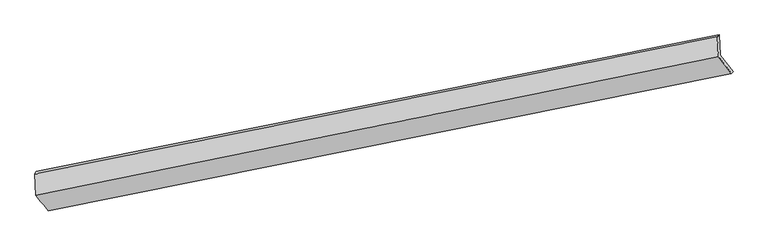
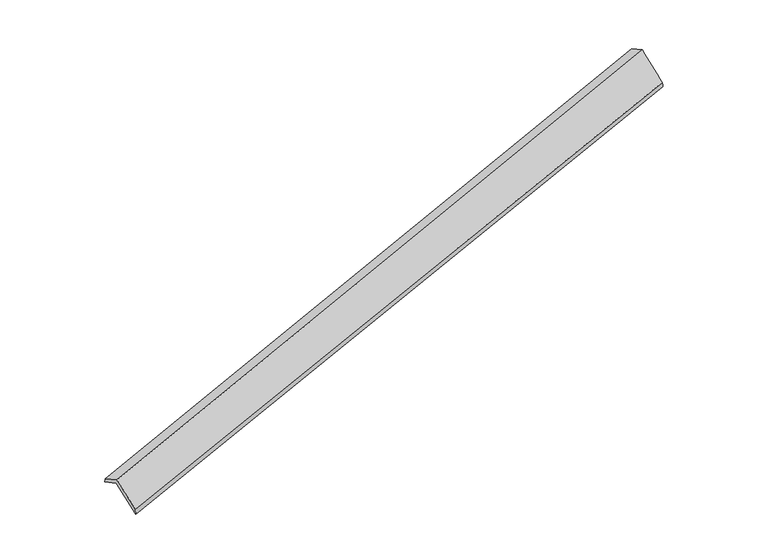
"""IFC4 building model written with IfcOpenShell, lengths in millimetres: proxy geometry."""

from ifc_helpers import new_model, si_unit, frame, origin, place, context, project, spatial, source, transform, mapped, element, save
from ifc_brep_helpers import plane_surface, spline_surface, advanced_brep


def generic_models_a90a103a(model_context):
    return source(origin(), model_context, "Body", "AdvancedBrep", [
        advanced_brep(
        [(-9662.9876074, -2869.6171715, 199.6592131), (-9683.7605708, -2454.5596949, -16.9473925), (3797.9213534, 245.3631494, 3880.0114167), (3817.807794, -151.981019, 4087.3739543), (-9709.4203122, -2506.0160275, 106.4184599), (3763.0293176, 206.7521931, 4028.8767296), (-9688.1011891, -2931.9861349, 328.7200549), (3782.4724968, -181.7353213, 4231.6172332), (-9450.7154936, -3234.2557044, -273.2488865), (4040.0164852, -516.7975912, 3564.8783234), (-9410.5826483, -3191.0111718, -440.3959751), (4072.0892122, -482.7987164, 3429.0813005)],
        [
            (0, 1),
            (1, 2),
            (2, 3),
            (3, 0),
            (1, 4),
            (4, 5),
            (5, 2),
            (4, 6),
            (6, 7),
            (7, 5),
            (6, 8),
            (8, 9),
            (9, 7),
            (8, 10),
            (10, 11),
            (11, 9),
            (10, 0),
            (3, 11),
        ],
        [
            plane_surface(frame((-9673.3740891, -2662.0884332, 91.3559103), z_axis=(0.32883129233388503, -0.42394225016074866, -0.8438856259651947), x_axis=(-0.04432613811987647, 0.8856654051866809, -0.46220340060939624))),
            spline_surface(1, 1, [[(-9683.7605708, -2454.5596949, -16.9473925), (3797.9213534, 245.3631494, 3880.0114167)], [(-9709.4203122, -2506.0160275, 106.4184599), (3763.0293176, 206.7521931, 4028.8767296)]], [2, 2], [2, 2], [0.0, 1.0], [0.0, 1.0]),
            plane_surface(frame((-9698.7607506, -2719.0010812, 217.5692574), z_axis=(-0.33081078652020934, 0.4235437535435078, 0.8433118713478169), x_axis=(0.04432613811989541, -0.8856654051866752, 0.46220340060940523))),
            spline_surface(1, 1, [[(-9688.1011891, -2931.9861349, 328.7200549), (3782.4724968, -181.7353213, 4231.6172332)], [(-9450.7154936, -3234.2557044, -273.2488865), (4040.0164852, -516.7975912, 3564.8783234)]], [2, 2], [2, 2], [0.0, 1.0], [0.0, 1.0]),
            spline_surface(1, 1, [[(-9450.7154936, -3234.2557044, -273.2488865), (4040.0164852, -516.7975912, 3564.8783234)], [(-9410.5826483, -3191.0111718, -440.3959751), (4072.0892122, -482.7987164, 3429.0813005)]], [2, 2], [2, 2], [0.0, 1.0], [0.0, 1.0]),
            spline_surface(1, 1, [[(-9410.5826483, -3191.0111718, -440.3959751), (4072.0892122, -482.7987164, 3429.0813005)], [(-9662.9876074, -2869.6171715, 199.6592131), (3817.807794, -151.981019, 4087.3739543)]], [2, 2], [2, 2], [0.0, 1.0], [0.0, 1.0]),
            plane_surface(frame((3878.8894432, -146.8662176, 3870.306493), z_axis=(0.9442412590856498, 0.18823609143081693, 0.27013999800695165), x_axis=(0.22332356055409147, 0.23673539718101988, -0.9455595904135222))),
            plane_surface(frame((-9600.9279702, -2864.5743175, -15.9657544), z_axis=(-0.9421038433200275, -0.1909870097956503, -0.27561623771278304), x_axis=(0.33237861224968834, -0.4232265966887248, -0.8428544986972846))),
        ],
        [
            (0, [[1, 2, 3, 4]]),
            (1, [[5, 6, 7, -2]]),
            (2, [[8, 9, 10, -6]]),
            (3, [[11, 12, 13, -9]]),
            (4, [[14, 15, 16, -12]]),
            (5, [[17, -4, 18, -15]]),
            (6, [[-16, -18, -3, -7, -10, -13]]),
            (7, [[-17, -14, -11, -8, -5, -1]]),
        ],
    ),
    ])


if __name__ == "__main__":
    model = new_model("IFC4")
    model_context = context("Model", 3, world=origin())
    ifc_project = project(units=[si_unit("LENGTHUNIT", "METRE", prefix="MILLI")], contexts=[model_context])
    site = spatial("IfcSite", under=ifc_project)
    building = spatial("IfcBuilding", under=site)
    placement = place(None, origin())
    generic_models_shape = generic_models_a90a103a(model_context)
    element("IfcBuildingElementProxy", 1, Name="Generic Models", at=placement, inside=building, context=model_context, shape_type="MappedRepresentation", body=[
        mapped(generic_models_shape, transform((0.0, 0.0, 0.0), x_axis=(1.0, 0.0, 0.0), y_axis=(0.0, 1.0, 0.0), z_axis=(0.0, 0.0, 1.0))),
    ])
    save(model, "model.ifc")
